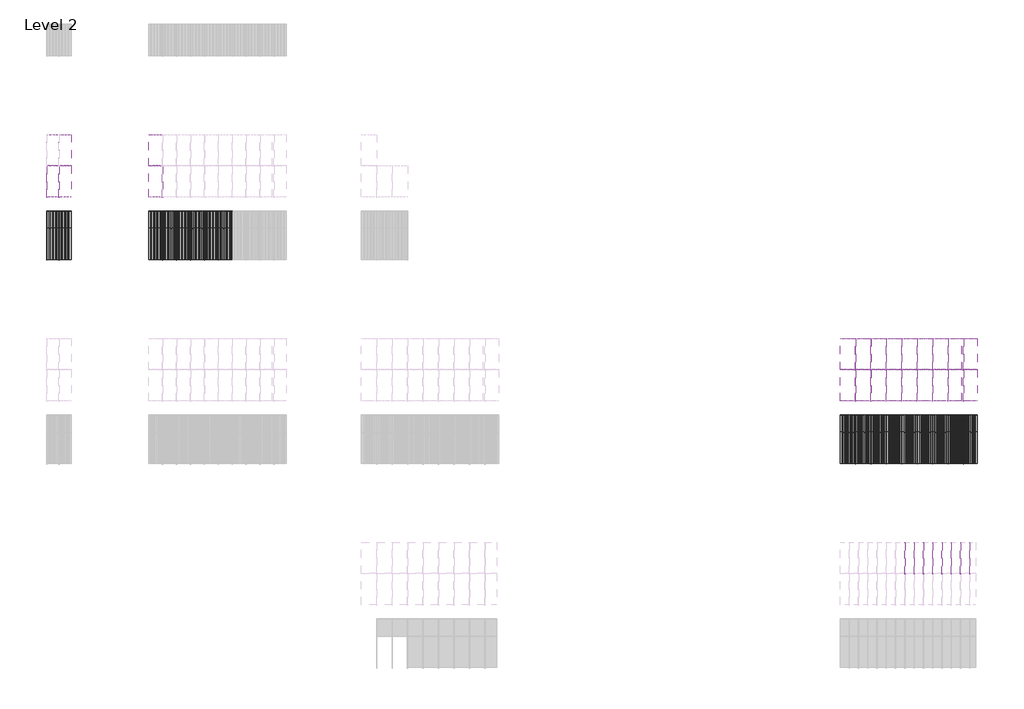
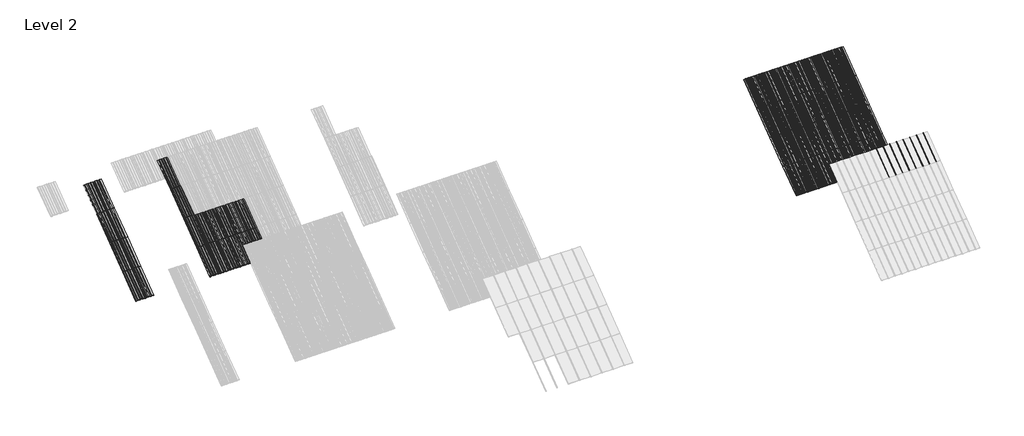
# One storey, part 24 of 113: 58 plates, 53 members.
"""IFC4 building model written with IfcOpenShell, lengths in millimetres."""

import ifcopenshell
import ifcopenshell.guid

model = None  # the IFC model being written
_history = None  # IfcOwnerHistory: only IFC2X3 demands one
_inside = {}  # id of a spatial element -> (the spatial element, [elements in it])
_under = {}  # id of a project, library or spatial element -> (it, [spatial elements below it])
_declared = {}  # id of a project -> (the project, [libraries it declares])
_typed = {}  # id of a type object -> (the type object, [elements of that type])
_made_of = {}  # id of a material, layer set ... -> (it, [elements and type objects made of it])


def new_model(schema):
    """Start an empty IFC model of exactly this schema.

    Asked for "IFC4X3", IfcOpenShell would pick the latest addendum, in which some entities
    have other attributes; the version numbers below select the first issue.
    IFC2X3 requires an IfcOwnerHistory on every rooted entity: one is made here for all.
    """
    global model, _history
    if schema == "IFC4X3":
        model = ifcopenshell.file(schema_version=(4, 3, 0, 0))
    else:
        model = ifcopenshell.file(schema=schema)
    _inside.clear()
    _under.clear()
    _declared.clear()
    _typed.clear()
    _made_of.clear()
    _history = None
    if model.schema == "IFC2X3":
        org = make("IfcOrganization", Name="unknown")
        user = make(
            "IfcPersonAndOrganization",
            ThePerson=make("IfcPerson", FamilyName="unknown"),
            TheOrganization=org,
        )
        app = make(
            "IfcApplication",
            ApplicationDeveloper=org,
            Version="unknown",
            ApplicationFullName="unknown",
            ApplicationIdentifier="unknown",
        )
        _history = make(
            "IfcOwnerHistory",
            OwningUser=user,
            OwningApplication=app,
            ChangeAction="ADDED",
            CreationDate=0,
        )
    return model


def make(cls, **values):
    """One entity of the class cls with the attributes given. An attribute that is None is left unset."""
    return model.create_entity(
        cls, **{name: value for name, value in values.items() if value is not None}
    )


def rooted(cls, **values):
    """An entity with a GlobalId (a new one), such as an element, a storey or a relation."""
    return make(cls, GlobalId=ifcopenshell.guid.new(), OwnerHistory=_history, **values)


def si_unit(unit_type, name, prefix=None):
    """IfcSIUnit, for example si_unit("LENGTHUNIT", "METRE", prefix="MILLI")."""
    return make("IfcSIUnit", UnitType=unit_type, Prefix=prefix, Name=name)


def assignment(units):
    """IfcUnitAssignment: the units of a project."""
    return None if units is None else make("IfcUnitAssignment", Units=units)


def point(xyz):
    """IfcCartesianPoint."""
    return None if xyz is None else make("IfcCartesianPoint", Coordinates=xyz)


def direction(xyz):
    """IfcDirection."""
    return None if xyz is None else make("IfcDirection", DirectionRatios=xyz)


def frame(location, z_axis=None, x_axis=None):
    """IfcAxis2Placement3D, a coordinate frame: its origin and axes. An axis left out is left unset."""
    return make(
        "IfcAxis2Placement3D",
        Location=point(location),
        Axis=direction(z_axis),
        RefDirection=direction(x_axis),
    )


def frame_2d(location, x_axis=None):
    """IfcAxis2Placement2D, a coordinate frame in the plane: its origin and x axis."""
    return make(
        "IfcAxis2Placement2D", Location=point(location), RefDirection=direction(x_axis)
    )


def origin():
    """The frame at (0, 0, 0) with its axes left unset."""
    return frame((0.0, 0.0, 0.0))


def origin_with_axes():
    """The frame at (0, 0, 0) with the z axis (0, 0, 1) and the x axis (1, 0, 0) written out."""
    return frame((0.0, 0.0, 0.0), z_axis=(0.0, 0.0, 1.0), x_axis=(1.0, 0.0, 0.0))


def place(relative_to, where):
    """IfcLocalPlacement: puts the frame where relative to a parent placement (None: the world)."""
    return make(
        "IfcLocalPlacement", PlacementRelTo=relative_to, RelativePlacement=where
    )


def context(
    kind, dimensions, precision=None, world=None, true_north=None, identifier=None
):
    """IfcGeometricRepresentationContext, for example the 3D "Model" context."""
    return make(
        "IfcGeometricRepresentationContext",
        ContextIdentifier=identifier,
        ContextType=kind,
        CoordinateSpaceDimension=dimensions,
        Precision=precision,
        WorldCoordinateSystem=world,
        TrueNorth=true_north,
    )


def project(units=None, contexts=None):
    """IfcProject with its units and contexts."""
    return rooted(
        "IfcProject",
        Name="project",
        RepresentationContexts=contexts,
        UnitsInContext=assignment(units),
    )


def spatial(cls, under=None, at=None, **own):
    """A site, building, storey or space (cls), placed at a placement, below another one or the project."""
    s = rooted(cls, ObjectPlacement=at, **own)
    if under is not None:
        _under.setdefault(under.id(), (under, []))[1].append(s)
    return s


def polyline(points):
    """IfcPolyline through the points."""
    return make("IfcPolyline", Points=[point(p) for p in points])


def circle_curve(where, radius):
    """IfcCircle in the frame where."""
    return make("IfcCircle", Position=where, Radius=radius)


def trimmed(basis, trim1, trim2, sense, master):
    """IfcTrimmedCurve: the piece of a basis curve between two trims."""
    return make(
        "IfcTrimmedCurve",
        BasisCurve=basis,
        Trim1=trim1,
        Trim2=trim2,
        SenseAgreement=sense,
        MasterRepresentation=master,
    )


def segment(curve, same_sense, transition):
    """IfcCompositeCurveSegment."""
    return make(
        "IfcCompositeCurveSegment",
        Transition=transition,
        SameSense=same_sense,
        ParentCurve=curve,
    )


def composite_curve(segments, self_intersect=None):
    """IfcCompositeCurve: segments joined end to end."""
    return make("IfcCompositeCurve", Segments=segments, SelfIntersect=self_intersect)


def outline(outer, holes=None, kind="AREA"):
    """IfcArbitraryClosedProfileDef: a profile drawn as a closed curve; with holes, ...WithVoids."""
    if holes is None:
        return make("IfcArbitraryClosedProfileDef", ProfileType=kind, OuterCurve=outer)
    return make(
        "IfcArbitraryProfileDefWithVoids",
        ProfileType=kind,
        OuterCurve=outer,
        InnerCurves=holes,
    )


def extrude(swept, where, along, depth):
    """IfcExtrudedAreaSolid: the profile swept, set in the frame where, extruded along a direction by depth."""
    return make(
        "IfcExtrudedAreaSolid",
        SweptArea=swept,
        Position=where,
        ExtrudedDirection=direction(along),
        Depth=depth,
    )


def shape(context_of_items, identifier, shape_type, items):
    """IfcShapeRepresentation: the items that make up one representation, for example the "Body"."""
    return make(
        "IfcShapeRepresentation",
        ContextOfItems=context_of_items,
        RepresentationIdentifier=identifier,
        RepresentationType=shape_type,
        Items=items,
    )


def source(mapping_origin, context_of_items, identifier, shape_type, items):
    """IfcRepresentationMap: a shape defined once, which mapped items show again and again."""
    return make(
        "IfcRepresentationMap",
        MappingOrigin=mapping_origin,
        MappedRepresentation=shape(context_of_items, identifier, shape_type, items),
    )


def transform(
    local_origin,
    x_axis=None,
    y_axis=None,
    z_axis=None,
    scale=None,
    scale2=None,
    scale3=None,
    uniform=True,
):
    """IfcCartesianTransformationOperator3D, or its non-uniform kind. x_axis, y_axis, z_axis: its Axis1, 2, 3."""
    if uniform:
        return make(
            "IfcCartesianTransformationOperator3D",
            Axis1=direction(x_axis),
            Axis2=direction(y_axis),
            LocalOrigin=point(local_origin),
            Scale=scale,
            Axis3=direction(z_axis),
        )
    return make(
        "IfcCartesianTransformationOperator3DnonUniform",
        Axis1=direction(x_axis),
        Axis2=direction(y_axis),
        LocalOrigin=point(local_origin),
        Scale=scale,
        Axis3=direction(z_axis),
        Scale2=scale2,
        Scale3=scale3,
    )


def mapped(mapping_source, mapping_target):
    """IfcMappedItem: shows the shape of a source again, moved by a transform."""
    return make(
        "IfcMappedItem", MappingSource=mapping_source, MappingTarget=mapping_target
    )


def made_of(thing, what):
    """Note that an element or type object is made of a material, layer set ...; save() writes the relation."""
    if what is not None:
        _made_of.setdefault(what.id(), (what, []))[1].append(thing)
    return thing


def element(
    cls,
    number,
    at=None,
    inside=None,
    cuts=None,
    type_object=None,
    material=None,
    context=None,
    identifier="Body",
    shape_type=None,
    held_by="IfcProductDefinitionShape",
    body=None,
    shapes=None,
    **own,
):
    """One element of the class cls, such as IfcWall. Its Tag is "e" and its number.

    at: its placement. inside: the storey or other place that contains it. cuts: it is an
    opening in that element (IfcRelVoidsElement). A single representation is given by context,
    identifier, shape_type and body (its items); several are given by shapes. held_by: the class
    of the entity that holds the representations. save() writes the other relations.
    """
    e = rooted(cls, Tag="e%d" % number, ObjectPlacement=at, **own)
    if body is not None:
        shapes = [shape(context, identifier, shape_type, body)]
    if shapes is not None:
        e.Representation = make(held_by, Representations=shapes)
    if inside is not None:
        _inside.setdefault(inside.id(), (inside, []))[1].append(e)
    if cuts is not None:
        rooted(
            "IfcRelVoidsElement", RelatingBuildingElement=cuts, RelatedOpeningElement=e
        )
    if type_object is not None:
        _typed.setdefault(type_object.id(), (type_object, []))[1].append(e)
    return made_of(e, material)


def aggregate(whole, parts):
    """IfcRelAggregates: a whole, such as a stair, and the parts it consists of."""
    return rooted("IfcRelAggregates", RelatingObject=whole, RelatedObjects=parts)


def save(model, path):
    """Write the relations noted so far, then the file.

    IfcRelAggregates (storeys below a building ...), IfcRelContainedInSpatialStructure (elements
    in a storey), IfcRelDefinesByType, IfcRelAssociatesMaterial and IfcRelDeclares: one each for
    every whole, place, type object, material and project.
    """
    for whole, parts in _under.values():
        aggregate(whole, parts)
    for where, things in _inside.values():
        rooted(
            "IfcRelContainedInSpatialStructure",
            RelatedElements=things,
            RelatingStructure=where,
        )
    for kind, things in _typed.values():
        rooted("IfcRelDefinesByType", RelatedObjects=things, RelatingType=kind)
    for what, things in _made_of.values():
        rooted("IfcRelAssociatesMaterial", RelatedObjects=things, RelatingMaterial=what)
    for by, libraries in _declared.values():
        rooted("IfcRelDeclares", RelatingContext=by, RelatedDefinitions=libraries)
    model.write(path)


def rectangular_mullion_707b4951(model_context):
    return source(origin(), model_context, "Body", "SweptSolid", [
        extrude(outline(composite_curve([segment(polyline([(-1.651, -33.918525), (-1.651, 0.396875), (1.778, 0.396875), (1.778, -36.458525)]), True, "CONTINUOUS"), segment(trimmed(circle_curve(frame_2d((-0.762, -36.458525)), 2.54), [point((1.778, -36.458525))], [point((-0.762, -38.998525))], False, "CARTESIAN"), True, "CONTINUOUS"), segment(polyline([(-0.762, -38.998525), (-5.207, -38.998525)]), True, "CONTINUOUS"), segment(trimmed(circle_curve(frame_2d((-5.207, -36.458525)), 2.54), [point((-5.207, -38.998525))], [point((-7.747, -36.458525))], False, "CARTESIAN"), True, "CONTINUOUS"), segment(polyline([(-7.747, -36.458525), (-7.747, -26.425525)]), True, "CONTINUOUS"), segment(trimmed(circle_curve(frame_2d((-5.207, -26.425525)), 2.54), [point((-7.747, -26.425525))], [point((-2.667, -26.425525))], False, "CARTESIAN"), True, "CONTINUOUS"), segment(polyline([(-2.667, -26.425525), (-2.667, -33.918525), (-1.651, -33.918525)]), True, "CONTINUOUS")], self_intersect=False)), frame((0.0, 0.0, -1285.875), z_axis=(0.0, 0.0, 1.0), x_axis=(1.0, 0.0, 0.0)), (0.0, 0.0, 1.0), 1285.875),
    ])


def rectangular_mullion_fdfbbcc3(model_context):
    return source(origin(), model_context, "Body", "SweptSolid", [
        extrude(outline(composite_curve([segment(polyline([(-1.651, -33.7200875), (-1.651, 0.5953125), (1.778, 0.5953125), (1.778, -36.2600875)]), True, "CONTINUOUS"), segment(trimmed(circle_curve(frame_2d((-0.762, -36.2600875)), 2.54), [point((1.778, -36.2600875))], [point((-0.762, -38.8000875))], False, "CARTESIAN"), True, "CONTINUOUS"), segment(polyline([(-0.762, -38.8000875), (-5.207, -38.8000875)]), True, "CONTINUOUS"), segment(trimmed(circle_curve(frame_2d((-5.207, -36.2600875)), 2.54), [point((-5.207, -38.8000875))], [point((-7.747, -36.2600875))], False, "CARTESIAN"), True, "CONTINUOUS"), segment(polyline([(-7.747, -36.2600875), (-7.747, -26.2270875)]), True, "CONTINUOUS"), segment(trimmed(circle_curve(frame_2d((-5.207, -26.2270875)), 2.54), [point((-7.747, -26.2270875))], [point((-2.667, -26.2270875))], False, "CARTESIAN"), True, "CONTINUOUS"), segment(polyline([(-2.667, -26.2270875), (-2.667, -33.7200875), (-1.651, -33.7200875)]), True, "CONTINUOUS")], self_intersect=False)), frame((0.0, 0.0, -1285.875), z_axis=(0.0, 0.0, 1.0), x_axis=(1.0, 0.0, 0.0)), (0.0, 0.0, 1.0), 1285.875),
    ])


def plate_0_04_aluminium_705ef83d(model_context):
    return source(origin(), model_context, "Body", "SweptSolid", [
        extrude(outline(polyline([(-123.9800294, 1.016), (-120.4316494, -2.53238), (-90.8914494, -2.53238), (-87.3430694, 0.8128), (-18.31848, 0.8128), (-14.7701, -2.73558), (14.7701, -2.73558), (18.31848, 0.8128), (85.75548, 0.8128), (89.30386, -2.73558), (118.84406, -2.73558), (122.39244, 0.8128), (203.2, 0.8128), (203.2, 0.0), (122.456147, 0.0), (118.907767, -3.54838), (89.240153, -3.54838), (85.691773, 0.0), (18.382187, 0.0), (14.833807, -3.54838), (-14.833807, -3.54838), (-18.382187, 0.0), (-87.2793624, 0.0), (-90.8277424, -3.54838), (-120.4953564, -3.54838), (-124.0437364, 0.0), (-203.2, 0.0), (-203.2, 1.016), (-123.9800294, 1.016)])), origin_with_axes(), (0.0, 0.0, 1.0), 1285.875),
    ])


def plate_0_04_aluminium_7b209127(model_context):
    return source(origin(), model_context, "Body", "SweptSolid", [
        extrude(outline(polyline([(33.654793, 0.0), (-33.654793, 0.0), (-37.203173, -3.54838), (-66.870787, -3.54838), (-70.419167, 0.0), (-137.728753, 0.0), (-141.277133, -3.54838), (-170.944747, -3.54838), (-174.493127, 0.0), (-228.6, 0.0), (-228.6, 1.016), (-174.42942, 1.016), (-170.88104, -2.53238), (-141.34084, -2.53238), (-137.79246, 1.016), (-70.35546, 1.016), (-66.80708, -2.53238), (-37.26688, -2.53238), (-33.7185, 1.016), (33.7185, 1.016), (37.26688, -2.53238), (66.80708, -2.53238), (70.35546, 1.016), (137.79246, 1.016), (141.34084, -2.53238), (170.88104, -2.53238), (174.42942, 1.016), (228.6, 1.016), (228.6, 0.0), (174.493127, 0.0), (170.944747, -3.54838), (141.277133, -3.54838), (137.728753, 0.0), (70.419167, 0.0), (66.870787, -3.54838), (37.203173, -3.54838), (33.654793, 0.0)])), origin_with_axes(), (0.0, 0.0, 1.0), 1285.875),
    ])


def plate_0_032_aluminium_e5f8d374(model_context):
    return source(origin(), model_context, "Body", "SweptSolid", [
        extrude(outline(polyline([(14.706393, 0.0), (-14.706393, 0.0), (-37.203173, -3.54838), (-66.870787, -3.54838), (-89.367567, 0.0), (-118.780353, 0.0), (-141.277133, -3.54838), (-170.944747, -3.54838), (-193.441527, 0.0), (-254.0, 0.0), (-254.0, 0.8128), (-193.37782, 0.8128), (-170.88104, -2.73558), (-141.34084, -2.73558), (-118.84406, 0.8128), (-89.30386, 0.8128), (-66.80708, -2.73558), (-37.26688, -2.73558), (-14.7701, 0.8128), (14.7701, 0.8128), (37.26688, -2.73558), (66.80708, -2.73558), (89.30386, 0.8128), (118.84406, 0.8128), (141.34084, -2.73558), (170.88104, -2.73558), (193.37782, 0.8128), (254.0, 0.8128), (254.0, 0.0), (193.441527, 0.0), (170.944747, -3.54838), (141.277133, -3.54838), (118.780353, 0.0), (89.367567, 0.0), (66.870787, -3.54838), (37.203173, -3.54838), (14.706393, 0.0)])), origin_with_axes(), (0.0, 0.0, 1.0), 1285.875),
    ])


model = new_model("IFC4")

# Units and contexts
model_context = context("Model", 3, world=origin())
ifc_project = project(units=[si_unit("LENGTHUNIT", "METRE", prefix="MILLI")], contexts=[model_context])

# Site, building, storey
site = spatial("IfcSite", under=ifc_project)
building = spatial("IfcBuilding", under=site)
storey = spatial("IfcBuildingStorey", under=building, Name="Level 2", Elevation=3048.0)

# Members
placement = place(None, origin())
rectangular_mullion_shape = rectangular_mullion_707b4951(model_context)
element("IfcMember", 1, ObjectType="Rectangular Mullion", at=placement, inside=storey, context=model_context, shape_type="MappedRepresentation", body=[
    mapped(rectangular_mullion_shape, transform((58688.3138422, 45667.4971239, 6134.1), x_axis=(1.0, 0.0, 0.0), y_axis=(0.0, 0.5999999999999946, -0.800000000000004), z_axis=(0.0, 0.800000000000004, 0.5999999999999946))),
])
element("IfcMember", 2, ObjectType="Rectangular Mullion", at=placement, inside=storey, context=model_context, shape_type="MappedRepresentation", body=[
    mapped(rectangular_mullion_shape, transform((59196.3138422, 45667.4971239, 6134.1), x_axis=(1.0, 0.0, 0.0), y_axis=(0.0, 0.5999999999999946, -0.800000000000004), z_axis=(0.0, 0.800000000000004, 0.5999999999999946))),
])
element("IfcMember", 3, ObjectType="Rectangular Mullion", at=placement, inside=storey, context=model_context, shape_type="MappedRepresentation", body=[
    mapped(rectangular_mullion_shape, transform((59704.3138422, 45667.4971239, 6134.1), x_axis=(1.0, 0.0, 0.0), y_axis=(0.0, 0.5999999999999946, -0.800000000000004), z_axis=(0.0, 0.800000000000004, 0.5999999999999946))),
])
element("IfcMember", 4, ObjectType="Rectangular Mullion", at=placement, inside=storey, context=model_context, shape_type="MappedRepresentation", body=[
    mapped(rectangular_mullion_shape, transform((60212.3138422, 45667.4971239, 6134.1), x_axis=(1.0, 0.0, 0.0), y_axis=(0.0, 0.5999999999999946, -0.800000000000004), z_axis=(0.0, 0.800000000000004, 0.5999999999999946))),
])
element("IfcMember", 5, ObjectType="Rectangular Mullion", at=placement, inside=storey, context=model_context, shape_type="MappedRepresentation", body=[
    mapped(rectangular_mullion_shape, transform((60720.3138422, 45667.4971239, 6134.1), x_axis=(1.0, 0.0, 0.0), y_axis=(0.0, 0.5999999999999946, -0.800000000000004), z_axis=(0.0, 0.800000000000004, 0.5999999999999946))),
])
element("IfcMember", 6, ObjectType="Rectangular Mullion", at=placement, inside=storey, context=model_context, shape_type="MappedRepresentation", body=[
    mapped(rectangular_mullion_shape, transform((61228.3138422, 45667.4971239, 6134.1), x_axis=(1.0, 0.0, 0.0), y_axis=(0.0, 0.5999999999999946, -0.800000000000004), z_axis=(0.0, 0.800000000000004, 0.5999999999999946))),
])
element("IfcMember", 7, ObjectType="Rectangular Mullion", at=placement, inside=storey, context=model_context, shape_type="MappedRepresentation", body=[
    mapped(rectangular_mullion_shape, transform((61736.3138422, 45667.4971239, 6134.1), x_axis=(1.0, 0.0, 0.0), y_axis=(0.0, 0.5999999999999946, -0.800000000000004), z_axis=(0.0, 0.800000000000004, 0.5999999999999946))),
])
element("IfcMember", 8, ObjectType="Rectangular Mullion", at=placement, inside=storey, context=model_context, shape_type="MappedRepresentation", body=[
    mapped(rectangular_mullion_shape, transform((62244.3138422, 45667.4971239, 6134.1), x_axis=(1.0, 0.0, 0.0), y_axis=(0.0, 0.5999999999999946, -0.800000000000004), z_axis=(0.0, 0.800000000000004, 0.5999999999999946))),
])
element("IfcMember", 9, ObjectType="Rectangular Mullion", at=placement, inside=storey, context=model_context, shape_type="MappedRepresentation", body=[
    mapped(rectangular_mullion_shape, transform((58688.3138422, 42581.3971239, 3819.525), x_axis=(1.0, 0.0, 0.0), y_axis=(0.0, 0.5999999999999939, -0.8000000000000047), z_axis=(0.0, 0.8000000000000047, 0.5999999999999939))),
])
element("IfcMember", 10, ObjectType="Rectangular Mullion", at=placement, inside=storey, context=model_context, shape_type="MappedRepresentation", body=[
    mapped(rectangular_mullion_shape, transform((59196.3138422, 42581.3971239, 3819.525), x_axis=(1.0, 0.0, 0.0), y_axis=(0.0, 0.5999999999999939, -0.8000000000000047), z_axis=(0.0, 0.8000000000000047, 0.5999999999999939))),
])
element("IfcMember", 11, ObjectType="Rectangular Mullion", at=placement, inside=storey, context=model_context, shape_type="MappedRepresentation", body=[
    mapped(rectangular_mullion_shape, transform((59704.3138422, 42581.3971239, 3819.525), x_axis=(1.0, 0.0, 0.0), y_axis=(0.0, 0.5999999999999939, -0.8000000000000047), z_axis=(0.0, 0.8000000000000047, 0.5999999999999939))),
])
element("IfcMember", 12, ObjectType="Rectangular Mullion", at=placement, inside=storey, context=model_context, shape_type="MappedRepresentation", body=[
    mapped(rectangular_mullion_shape, transform((60212.3138422, 42581.3971239, 3819.525), x_axis=(1.0, 0.0, 0.0), y_axis=(0.0, 0.5999999999999939, -0.8000000000000047), z_axis=(0.0, 0.8000000000000047, 0.5999999999999939))),
])
element("IfcMember", 13, ObjectType="Rectangular Mullion", at=placement, inside=storey, context=model_context, shape_type="MappedRepresentation", body=[
    mapped(rectangular_mullion_shape, transform((60720.3138422, 42581.3971239, 3819.525), x_axis=(1.0, 0.0, 0.0), y_axis=(0.0, 0.5999999999999939, -0.8000000000000047), z_axis=(0.0, 0.8000000000000047, 0.5999999999999939))),
])
element("IfcMember", 14, ObjectType="Rectangular Mullion", at=placement, inside=storey, context=model_context, shape_type="MappedRepresentation", body=[
    mapped(rectangular_mullion_shape, transform((61228.3138422, 42581.3971239, 3819.525), x_axis=(1.0, 0.0, 0.0), y_axis=(0.0, 0.5999999999999939, -0.8000000000000047), z_axis=(0.0, 0.8000000000000047, 0.5999999999999939))),
])
element("IfcMember", 15, ObjectType="Rectangular Mullion", at=placement, inside=storey, context=model_context, shape_type="MappedRepresentation", body=[
    mapped(rectangular_mullion_shape, transform((61736.3138422, 42581.3971239, 3819.525), x_axis=(1.0, 0.0, 0.0), y_axis=(0.0, 0.5999999999999939, -0.8000000000000047), z_axis=(0.0, 0.8000000000000047, 0.5999999999999939))),
])
element("IfcMember", 16, ObjectType="Rectangular Mullion", at=placement, inside=storey, context=model_context, shape_type="MappedRepresentation", body=[
    mapped(rectangular_mullion_shape, transform((62244.3138422, 42581.3971239, 3819.525), x_axis=(1.0, 0.0, 0.0), y_axis=(0.0, 0.5999999999999939, -0.8000000000000047), z_axis=(0.0, 0.8000000000000047, 0.5999999999999939))),
])
element("IfcMember", 17, ObjectType="Rectangular Mullion", at=placement, inside=storey, context=model_context, shape_type="MappedRepresentation", body=[
    mapped(rectangular_mullion_shape, transform((58688.3138422, 43610.0971239, 4591.05), x_axis=(1.0, 0.0, 0.0), y_axis=(0.0, 0.5999999999999952, -0.8000000000000037), z_axis=(0.0, 0.8000000000000037, 0.5999999999999952))),
])
element("IfcMember", 18, ObjectType="Rectangular Mullion", at=placement, inside=storey, context=model_context, shape_type="MappedRepresentation", body=[
    mapped(rectangular_mullion_shape, transform((59196.3138422, 43610.0971239, 4591.05), x_axis=(1.0, 0.0, 0.0), y_axis=(0.0, 0.5999999999999952, -0.8000000000000037), z_axis=(0.0, 0.8000000000000037, 0.5999999999999952))),
])
element("IfcMember", 19, ObjectType="Rectangular Mullion", at=placement, inside=storey, context=model_context, shape_type="MappedRepresentation", body=[
    mapped(rectangular_mullion_shape, transform((58688.3138422, 44638.7971239, 5362.575), x_axis=(1.0, 0.0, 0.0), y_axis=(0.0, 0.5999999999999941, -0.8000000000000045), z_axis=(0.0, 0.8000000000000044, 0.599999999999994))),
])
element("IfcMember", 20, ObjectType="Rectangular Mullion", at=placement, inside=storey, context=model_context, shape_type="MappedRepresentation", body=[
    mapped(rectangular_mullion_shape, transform((59196.3138422, 44638.7971239, 5362.575), x_axis=(1.0, 0.0, 0.0), y_axis=(0.0, 0.5999999999999941, -0.8000000000000045), z_axis=(0.0, 0.8000000000000044, 0.599999999999994))),
])
element("IfcMember", 21, ObjectType="Rectangular Mullion", at=placement, inside=storey, context=model_context, shape_type="MappedRepresentation", body=[
    mapped(rectangular_mullion_shape, transform((59704.3138422, 43610.0971239, 4591.05), x_axis=(1.0, 0.0, 0.0), y_axis=(0.0, 0.5999999999999952, -0.8000000000000037), z_axis=(0.0, 0.8000000000000037, 0.5999999999999952))),
])
element("IfcMember", 22, ObjectType="Rectangular Mullion", at=placement, inside=storey, context=model_context, shape_type="MappedRepresentation", body=[
    mapped(rectangular_mullion_shape, transform((60212.3138422, 43610.0971239, 4591.05), x_axis=(1.0, 0.0, 0.0), y_axis=(0.0, 0.5999999999999952, -0.8000000000000037), z_axis=(0.0, 0.8000000000000037, 0.5999999999999952))),
])
element("IfcMember", 23, ObjectType="Rectangular Mullion", at=placement, inside=storey, context=model_context, shape_type="MappedRepresentation", body=[
    mapped(rectangular_mullion_shape, transform((60720.3138422, 43610.0971239, 4591.05), x_axis=(1.0, 0.0, 0.0), y_axis=(0.0, 0.5999999999999952, -0.8000000000000037), z_axis=(0.0, 0.8000000000000037, 0.5999999999999952))),
])
element("IfcMember", 24, ObjectType="Rectangular Mullion", at=placement, inside=storey, context=model_context, shape_type="MappedRepresentation", body=[
    mapped(rectangular_mullion_shape, transform((61228.3138422, 43610.0971239, 4591.05), x_axis=(1.0, 0.0, 0.0), y_axis=(0.0, 0.5999999999999952, -0.8000000000000037), z_axis=(0.0, 0.8000000000000037, 0.5999999999999952))),
])
element("IfcMember", 25, ObjectType="Rectangular Mullion", at=placement, inside=storey, context=model_context, shape_type="MappedRepresentation", body=[
    mapped(rectangular_mullion_shape, transform((61736.3138422, 43610.0971239, 4591.05), x_axis=(1.0, 0.0, 0.0), y_axis=(0.0, 0.5999999999999952, -0.8000000000000037), z_axis=(0.0, 0.8000000000000037, 0.5999999999999952))),
])
element("IfcMember", 26, ObjectType="Rectangular Mullion", at=placement, inside=storey, context=model_context, shape_type="MappedRepresentation", body=[
    mapped(rectangular_mullion_shape, transform((62244.3138422, 43610.0971239, 4591.05), x_axis=(1.0, 0.0, 0.0), y_axis=(0.0, 0.5999999999999952, -0.8000000000000037), z_axis=(0.0, 0.8000000000000037, 0.5999999999999952))),
])
element("IfcMember", 27, ObjectType="Rectangular Mullion", at=placement, inside=storey, context=model_context, shape_type="MappedRepresentation", body=[
    mapped(rectangular_mullion_shape, transform((59704.3138422, 44638.7971239, 5362.575), x_axis=(1.0, 0.0, 0.0), y_axis=(0.0, 0.5999999999999941, -0.8000000000000045), z_axis=(0.0, 0.8000000000000044, 0.599999999999994))),
])
element("IfcMember", 28, ObjectType="Rectangular Mullion", at=placement, inside=storey, context=model_context, shape_type="MappedRepresentation", body=[
    mapped(rectangular_mullion_shape, transform((60212.3138422, 44638.7971239, 5362.575), x_axis=(1.0, 0.0, 0.0), y_axis=(0.0, 0.5999999999999941, -0.8000000000000045), z_axis=(0.0, 0.8000000000000044, 0.599999999999994))),
])
element("IfcMember", 29, ObjectType="Rectangular Mullion", at=placement, inside=storey, context=model_context, shape_type="MappedRepresentation", body=[
    mapped(rectangular_mullion_shape, transform((60720.3138422, 44638.7971239, 5362.575), x_axis=(1.0, 0.0, 0.0), y_axis=(0.0, 0.5999999999999941, -0.8000000000000045), z_axis=(0.0, 0.8000000000000044, 0.599999999999994))),
])
element("IfcMember", 30, ObjectType="Rectangular Mullion", at=placement, inside=storey, context=model_context, shape_type="MappedRepresentation", body=[
    mapped(rectangular_mullion_shape, transform((61228.3138422, 44638.7971239, 5362.575), x_axis=(1.0, 0.0, 0.0), y_axis=(0.0, 0.5999999999999941, -0.8000000000000045), z_axis=(0.0, 0.8000000000000044, 0.599999999999994))),
])
element("IfcMember", 31, ObjectType="Rectangular Mullion", at=placement, inside=storey, context=model_context, shape_type="MappedRepresentation", body=[
    mapped(rectangular_mullion_shape, transform((61736.3138422, 44638.7971239, 5362.575), x_axis=(1.0, 0.0, 0.0), y_axis=(0.0, 0.5999999999999941, -0.8000000000000045), z_axis=(0.0, 0.8000000000000044, 0.599999999999994))),
])
element("IfcMember", 32, ObjectType="Rectangular Mullion", at=placement, inside=storey, context=model_context, shape_type="MappedRepresentation", body=[
    mapped(rectangular_mullion_shape, transform((62244.3138422, 44638.7971239, 5362.575), x_axis=(1.0, 0.0, 0.0), y_axis=(0.0, 0.5999999999999941, -0.8000000000000045), z_axis=(0.0, 0.8000000000000044, 0.599999999999994))),
])
rectangular_mullion_2_shape = rectangular_mullion_fdfbbcc3(model_context)
element("IfcMember", 33, ObjectType="Rectangular Mullion", at=placement, inside=storey, context=model_context, shape_type="MappedRepresentation", body=[
    mapped(rectangular_mullion_2_shape, transform((32109.7538419, 49285.2111864, 3819.525), x_axis=(1.0, 0.0, 0.0), y_axis=(0.0, 0.5999999999999939, -0.8000000000000047), z_axis=(0.0, 0.8000000000000047, 0.5999999999999939))),
])
element("IfcMember", 34, ObjectType="Rectangular Mullion", at=placement, inside=storey, context=model_context, shape_type="MappedRepresentation", body=[
    mapped(rectangular_mullion_2_shape, transform((35919.7538419, 49285.2111864, 3819.525), x_axis=(1.0, 0.0, 0.0), y_axis=(0.0, 0.5999999999999939, -0.8000000000000047), z_axis=(0.0, 0.8000000000000047, 0.5999999999999939))),
])
element("IfcMember", 35, ObjectType="Rectangular Mullion", at=placement, inside=storey, context=model_context, shape_type="MappedRepresentation", body=[
    mapped(rectangular_mullion_2_shape, transform((36376.9538419, 49285.2111864, 3819.525), x_axis=(1.0, 0.0, 0.0), y_axis=(0.0, 0.5999999999999939, -0.8000000000000047), z_axis=(0.0, 0.8000000000000047, 0.5999999999999939))),
])
element("IfcMember", 36, ObjectType="Rectangular Mullion", at=placement, inside=storey, context=model_context, shape_type="MappedRepresentation", body=[
    mapped(rectangular_mullion_2_shape, transform((36834.1538419, 49285.2111864, 3819.525), x_axis=(1.0, 0.0, 0.0), y_axis=(0.0, 0.5999999999999939, -0.8000000000000047), z_axis=(0.0, 0.8000000000000047, 0.5999999999999939))),
])
element("IfcMember", 37, ObjectType="Rectangular Mullion", at=placement, inside=storey, context=model_context, shape_type="MappedRepresentation", body=[
    mapped(rectangular_mullion_2_shape, transform((37291.3538419, 49285.2111864, 3819.525), x_axis=(1.0, 0.0, 0.0), y_axis=(0.0, 0.5999999999999939, -0.8000000000000047), z_axis=(0.0, 0.8000000000000047, 0.5999999999999939))),
])
element("IfcMember", 38, ObjectType="Rectangular Mullion", at=placement, inside=storey, context=model_context, shape_type="MappedRepresentation", body=[
    mapped(rectangular_mullion_2_shape, transform((37748.5538419, 49285.2111864, 3819.525), x_axis=(1.0, 0.0, 0.0), y_axis=(0.0, 0.5999999999999939, -0.8000000000000047), z_axis=(0.0, 0.8000000000000047, 0.5999999999999939))),
])
element("IfcMember", 39, ObjectType="Rectangular Mullion", at=placement, inside=storey, context=model_context, shape_type="MappedRepresentation", body=[
    mapped(rectangular_mullion_2_shape, transform((32516.1538419, 49285.2111864, 3819.525), x_axis=(1.0, 0.0, 0.0), y_axis=(0.0, 0.5999999999999939, -0.8000000000000047), z_axis=(0.0, 0.8000000000000047, 0.5999999999999939))),
])
element("IfcMember", 40, ObjectType="Rectangular Mullion", at=placement, inside=storey, context=model_context, shape_type="MappedRepresentation", body=[
    mapped(rectangular_mullion_2_shape, transform((32109.7538419, 50313.9111864, 4591.05), x_axis=(1.0, 0.0, 0.0), y_axis=(0.0, 0.5999999999999949, -0.8000000000000038), z_axis=(0.0, 0.8000000000000038, 0.5999999999999949))),
])
element("IfcMember", 41, ObjectType="Rectangular Mullion", at=placement, inside=storey, context=model_context, shape_type="MappedRepresentation", body=[
    mapped(rectangular_mullion_2_shape, transform((32109.7538419, 51342.6111864, 5362.575), x_axis=(1.0, 0.0, 0.0), y_axis=(0.0, 0.5999999999999939, -0.8000000000000047), z_axis=(0.0, 0.8000000000000047, 0.5999999999999939))),
])
element("IfcMember", 42, ObjectType="Rectangular Mullion", at=placement, inside=storey, context=model_context, shape_type="MappedRepresentation", body=[
    mapped(rectangular_mullion_2_shape, transform((35919.7538419, 50313.9111864, 4591.05), x_axis=(1.0, 0.0, 0.0), y_axis=(0.0, 0.5999999999999952, -0.8000000000000037), z_axis=(0.0, 0.8000000000000037, 0.5999999999999952))),
])
element("IfcMember", 43, ObjectType="Rectangular Mullion", at=placement, inside=storey, context=model_context, shape_type="MappedRepresentation", body=[
    mapped(rectangular_mullion_2_shape, transform((35919.7538419, 51342.6111864, 5362.575), x_axis=(1.0, 0.0, 0.0), y_axis=(0.0, 0.5999999999999941, -0.8000000000000045), z_axis=(0.0, 0.8000000000000044, 0.599999999999994))),
])
element("IfcMember", 44, ObjectType="Rectangular Mullion", at=placement, inside=storey, context=model_context, shape_type="MappedRepresentation", body=[
    mapped(rectangular_mullion_2_shape, transform((32516.1538419, 50313.9111864, 4591.05), x_axis=(1.0, 0.0, 0.0), y_axis=(0.0, 0.5999999999999949, -0.8000000000000038), z_axis=(0.0, 0.8000000000000038, 0.5999999999999949))),
])
element("IfcMember", 45, ObjectType="Rectangular Mullion", at=placement, inside=storey, context=model_context, shape_type="MappedRepresentation", body=[
    mapped(rectangular_mullion_2_shape, transform((32516.1538419, 51342.6111864, 5362.575), x_axis=(1.0, 0.0, 0.0), y_axis=(0.0, 0.5999999999999939, -0.8000000000000047), z_axis=(0.0, 0.8000000000000047, 0.5999999999999939))),
])
element("IfcMember", 46, ObjectType="Rectangular Mullion", at=placement, inside=storey, context=model_context, shape_type="MappedRepresentation", body=[
    mapped(rectangular_mullion_shape, transform((60313.9138422, 38961.8971239, 6134.1), x_axis=(1.0, 0.0, 0.0), y_axis=(0.0, 0.6000000000000011, -0.7999999999999992), z_axis=(0.0, 0.7999999999999992, 0.6000000000000011))),
])
element("IfcMember", 47, ObjectType="Rectangular Mullion", at=placement, inside=storey, context=model_context, shape_type="MappedRepresentation", body=[
    mapped(rectangular_mullion_shape, transform((60618.7138422, 38961.8971239, 6134.1), x_axis=(1.0, 0.0, 0.0), y_axis=(0.0, 0.6000000000000011, -0.7999999999999992), z_axis=(0.0, 0.7999999999999992, 0.6000000000000011))),
])
element("IfcMember", 48, ObjectType="Rectangular Mullion", at=placement, inside=storey, context=model_context, shape_type="MappedRepresentation", body=[
    mapped(rectangular_mullion_shape, transform((60923.5138422, 38961.8971239, 6134.1), x_axis=(1.0, 0.0, 0.0), y_axis=(0.0, 0.6000000000000011, -0.7999999999999992), z_axis=(0.0, 0.7999999999999992, 0.6000000000000011))),
])
element("IfcMember", 49, ObjectType="Rectangular Mullion", at=placement, inside=storey, context=model_context, shape_type="MappedRepresentation", body=[
    mapped(rectangular_mullion_shape, transform((61228.3138422, 38961.8971239, 6134.1), x_axis=(1.0, 0.0, 0.0), y_axis=(0.0, 0.6000000000000011, -0.7999999999999992), z_axis=(0.0, 0.7999999999999992, 0.6000000000000011))),
])
element("IfcMember", 50, ObjectType="Rectangular Mullion", at=placement, inside=storey, context=model_context, shape_type="MappedRepresentation", body=[
    mapped(rectangular_mullion_shape, transform((61533.1138422, 38961.8971239, 6134.1), x_axis=(1.0, 0.0, 0.0), y_axis=(0.0, 0.6000000000000011, -0.7999999999999992), z_axis=(0.0, 0.7999999999999992, 0.6000000000000011))),
])
element("IfcMember", 51, ObjectType="Rectangular Mullion", at=placement, inside=storey, context=model_context, shape_type="MappedRepresentation", body=[
    mapped(rectangular_mullion_shape, transform((61837.9138422, 38961.8971239, 6134.1), x_axis=(1.0, 0.0, 0.0), y_axis=(0.0, 0.6000000000000011, -0.7999999999999992), z_axis=(0.0, 0.7999999999999992, 0.6000000000000011))),
])
element("IfcMember", 52, ObjectType="Rectangular Mullion", at=placement, inside=storey, context=model_context, shape_type="MappedRepresentation", body=[
    mapped(rectangular_mullion_shape, transform((62142.7138422, 38961.8971239, 6134.1), x_axis=(1.0, 0.0, 0.0), y_axis=(0.0, 0.6000000000000011, -0.7999999999999992), z_axis=(0.0, 0.7999999999999992, 0.6000000000000011))),
])
element("IfcMember", 53, ObjectType="Rectangular Mullion", at=placement, inside=storey, context=model_context, shape_type="MappedRepresentation", body=[
    mapped(rectangular_mullion_shape, transform((62447.5138422, 38961.8971239, 6134.1), x_axis=(1.0, 0.0, 0.0), y_axis=(0.0, 0.6000000000000011, -0.7999999999999992), z_axis=(0.0, 0.7999999999999992, 0.6000000000000011))),
])

# Plates
plate_0_04_aluminium_shape = plate_0_04_aluminium_705ef83d(model_context)
element("IfcPlate", 54, ObjectType="0.04 Aluminium", at=placement, inside=storey, context=model_context, shape_type="MappedRepresentation", body=[
    mapped(plate_0_04_aluminium_shape, transform((32313.0173419, 48256.5111864, 3048.0), x_axis=(1.0, 0.0, 0.0), y_axis=(0.0, 0.5999999999999943, -0.8000000000000043), z_axis=(0.0, 0.8000000000000043, 0.5999999999999943))),
])
element("IfcPlate", 55, ObjectType="0.04 Aluminium", at=placement, inside=storey, context=model_context, shape_type="MappedRepresentation", body=[
    mapped(plate_0_04_aluminium_shape, transform((32313.0173419, 49285.2111864, 3819.525), x_axis=(1.0, 0.0, 0.0), y_axis=(0.0, 0.5999999999999943, -0.8000000000000043), z_axis=(0.0, 0.8000000000000043, 0.5999999999999943))),
])
element("IfcPlate", 56, ObjectType="0.04 Aluminium", at=placement, inside=storey, context=model_context, shape_type="MappedRepresentation", body=[
    mapped(plate_0_04_aluminium_shape, transform((32313.0173419, 50313.9111864, 4591.05), x_axis=(1.0, 0.0, 0.0), y_axis=(0.0, 0.5999999999999943, -0.8000000000000043), z_axis=(0.0, 0.8000000000000043, 0.5999999999999943))),
])
element("IfcPlate", 57, ObjectType="0.04 Aluminium", at=placement, inside=storey, context=model_context, shape_type="MappedRepresentation", body=[
    mapped(plate_0_04_aluminium_shape, transform((32313.0173419, 51342.6111864, 5362.575), x_axis=(1.0, 0.0, 0.0), y_axis=(0.0, 0.5999999999999943, -0.8000000000000043), z_axis=(0.0, 0.8000000000000043, 0.5999999999999943))),
])
element("IfcPlate", 58, ObjectType="0.04 Aluminium", at=placement, inside=storey, context=model_context, shape_type="MappedRepresentation", body=[
    mapped(plate_0_04_aluminium_shape, transform((32713.4483419, 48256.5111864, 3048.0), x_axis=(1.0, 0.0, 0.0), y_axis=(0.0, 0.5999999999999943, -0.8000000000000043), z_axis=(0.0, 0.8000000000000043, 0.5999999999999943))),
])
element("IfcPlate", 59, ObjectType="0.04 Aluminium", at=placement, inside=storey, context=model_context, shape_type="MappedRepresentation", body=[
    mapped(plate_0_04_aluminium_shape, transform((32713.4483419, 49285.2111864, 3819.525), x_axis=(1.0, 0.0, 0.0), y_axis=(0.0, 0.5999999999999943, -0.8000000000000043), z_axis=(0.0, 0.8000000000000043, 0.5999999999999943))),
])
element("IfcPlate", 60, ObjectType="0.04 Aluminium", at=placement, inside=storey, context=model_context, shape_type="MappedRepresentation", body=[
    mapped(plate_0_04_aluminium_shape, transform((32713.4483419, 50313.9111864, 4591.05), x_axis=(1.0, 0.0, 0.0), y_axis=(0.0, 0.5999999999999943, -0.8000000000000043), z_axis=(0.0, 0.8000000000000043, 0.5999999999999943))),
])
element("IfcPlate", 61, ObjectType="0.04 Aluminium", at=placement, inside=storey, context=model_context, shape_type="MappedRepresentation", body=[
    mapped(plate_0_04_aluminium_shape, transform((32713.4483419, 51342.6111864, 5362.575), x_axis=(1.0, 0.0, 0.0), y_axis=(0.0, 0.5999999999999943, -0.8000000000000043), z_axis=(0.0, 0.8000000000000043, 0.5999999999999943))),
])
plate_0_04_aluminium_2_shape = plate_0_04_aluminium_7b209127(model_context)
element("IfcPlate", 62, ObjectType="0.04 Aluminium", at=placement, inside=storey, context=model_context, shape_type="MappedRepresentation", body=[
    mapped(plate_0_04_aluminium_2_shape, transform((35691.1538417, 48256.5111864, 3048.0), x_axis=(1.0, 0.0, 0.0), y_axis=(0.0, 0.5999999999999943, -0.8000000000000043), z_axis=(0.0, 0.8000000000000043, 0.5999999999999943))),
])
element("IfcPlate", 63, ObjectType="0.04 Aluminium", at=placement, inside=storey, context=model_context, shape_type="MappedRepresentation", body=[
    mapped(plate_0_04_aluminium_2_shape, transform((35691.1538417, 49285.2111864, 3819.525), x_axis=(1.0, 0.0, 0.0), y_axis=(0.0, 0.5999999999999943, -0.8000000000000043), z_axis=(0.0, 0.8000000000000043, 0.5999999999999943))),
])
element("IfcPlate", 64, ObjectType="0.04 Aluminium", at=placement, inside=storey, context=model_context, shape_type="MappedRepresentation", body=[
    mapped(plate_0_04_aluminium_2_shape, transform((35691.1538417, 50313.9111864, 4591.05), x_axis=(1.0, 0.0, 0.0), y_axis=(0.0, 0.5999999999999943, -0.8000000000000043), z_axis=(0.0, 0.8000000000000043, 0.5999999999999943))),
])
element("IfcPlate", 65, ObjectType="0.04 Aluminium", at=placement, inside=storey, context=model_context, shape_type="MappedRepresentation", body=[
    mapped(plate_0_04_aluminium_2_shape, transform((35691.1538417, 51342.6111864, 5362.575), x_axis=(1.0, 0.0, 0.0), y_axis=(0.0, 0.5999999999999943, -0.8000000000000043), z_axis=(0.0, 0.8000000000000043, 0.5999999999999943))),
])
element("IfcPlate", 66, ObjectType="0.04 Aluminium", at=placement, inside=storey, context=model_context, shape_type="MappedRepresentation", body=[
    mapped(plate_0_04_aluminium_2_shape, transform((36148.4173419, 48256.5111864, 3048.0), x_axis=(1.0, 0.0, 0.0), y_axis=(0.0, 0.5999999999999943, -0.8000000000000043), z_axis=(0.0, 0.8000000000000043, 0.5999999999999943))),
])
element("IfcPlate", 67, ObjectType="0.04 Aluminium", at=placement, inside=storey, context=model_context, shape_type="MappedRepresentation", body=[
    mapped(plate_0_04_aluminium_2_shape, transform((36605.6173419, 48256.5111864, 3048.0), x_axis=(1.0, 0.0, 0.0), y_axis=(0.0, 0.5999999999999943, -0.8000000000000043), z_axis=(0.0, 0.8000000000000043, 0.5999999999999943))),
])
element("IfcPlate", 68, ObjectType="0.04 Aluminium", at=placement, inside=storey, context=model_context, shape_type="MappedRepresentation", body=[
    mapped(plate_0_04_aluminium_2_shape, transform((36148.4173419, 49285.2111864, 3819.525), x_axis=(1.0, 0.0, 0.0), y_axis=(0.0, 0.5999999999999943, -0.8000000000000043), z_axis=(0.0, 0.8000000000000043, 0.5999999999999943))),
])
element("IfcPlate", 69, ObjectType="0.04 Aluminium", at=placement, inside=storey, context=model_context, shape_type="MappedRepresentation", body=[
    mapped(plate_0_04_aluminium_2_shape, transform((36605.6173419, 49285.2111864, 3819.525), x_axis=(1.0, 0.0, 0.0), y_axis=(0.0, 0.5999999999999943, -0.8000000000000043), z_axis=(0.0, 0.8000000000000043, 0.5999999999999943))),
])
element("IfcPlate", 70, ObjectType="0.04 Aluminium", at=placement, inside=storey, context=model_context, shape_type="MappedRepresentation", body=[
    mapped(plate_0_04_aluminium_2_shape, transform((37062.8173419, 48256.5111864, 3048.0), x_axis=(1.0, 0.0, 0.0), y_axis=(0.0, 0.5999999999999943, -0.8000000000000043), z_axis=(0.0, 0.8000000000000043, 0.5999999999999943))),
])
element("IfcPlate", 71, ObjectType="0.04 Aluminium", at=placement, inside=storey, context=model_context, shape_type="MappedRepresentation", body=[
    mapped(plate_0_04_aluminium_2_shape, transform((37062.8173419, 49285.2111864, 3819.525), x_axis=(1.0, 0.0, 0.0), y_axis=(0.0, 0.5999999999999943, -0.8000000000000043), z_axis=(0.0, 0.8000000000000043, 0.5999999999999943))),
])
element("IfcPlate", 72, ObjectType="0.04 Aluminium", at=placement, inside=storey, context=model_context, shape_type="MappedRepresentation", body=[
    mapped(plate_0_04_aluminium_2_shape, transform((37520.0173419, 48256.5111864, 3048.0), x_axis=(1.0, 0.0, 0.0), y_axis=(0.0, 0.5999999999999943, -0.8000000000000043), z_axis=(0.0, 0.8000000000000043, 0.5999999999999943))),
])
element("IfcPlate", 73, ObjectType="0.04 Aluminium", at=placement, inside=storey, context=model_context, shape_type="MappedRepresentation", body=[
    mapped(plate_0_04_aluminium_2_shape, transform((37520.0173419, 49285.2111864, 3819.525), x_axis=(1.0, 0.0, 0.0), y_axis=(0.0, 0.5999999999999943, -0.8000000000000043), z_axis=(0.0, 0.8000000000000043, 0.5999999999999943))),
])
element("IfcPlate", 74, ObjectType="0.04 Aluminium", at=placement, inside=storey, context=model_context, shape_type="MappedRepresentation", body=[
    mapped(plate_0_04_aluminium_2_shape, transform((37977.2173419, 48256.5111864, 3048.0), x_axis=(1.0, 0.0, 0.0), y_axis=(0.0, 0.5999999999999943, -0.8000000000000043), z_axis=(0.0, 0.8000000000000043, 0.5999999999999943))),
])
element("IfcPlate", 75, ObjectType="0.04 Aluminium", at=placement, inside=storey, context=model_context, shape_type="MappedRepresentation", body=[
    mapped(plate_0_04_aluminium_2_shape, transform((37977.2173419, 49285.2111864, 3819.525), x_axis=(1.0, 0.0, 0.0), y_axis=(0.0, 0.5999999999999943, -0.8000000000000043), z_axis=(0.0, 0.8000000000000043, 0.5999999999999943))),
])
plate_0_032_aluminium_shape = plate_0_032_aluminium_e5f8d374(model_context)
element("IfcPlate", 76, ObjectType="24 Ga. Steel", at=placement, inside=storey, context=model_context, shape_type="MappedRepresentation", body=[
    mapped(plate_0_032_aluminium_shape, transform((58434.313842, 41552.6971239, 3048.0), x_axis=(1.0, 0.0, 0.0), y_axis=(0.0, 0.5999999999999943, -0.8000000000000043), z_axis=(0.0, 0.8000000000000043, 0.5999999999999943))),
])
element("IfcPlate", 77, ObjectType="24 Ga. Steel", at=placement, inside=storey, context=model_context, shape_type="MappedRepresentation", body=[
    mapped(plate_0_032_aluminium_shape, transform((58434.313842, 42581.3971239, 3819.525), x_axis=(1.0, 0.0, 0.0), y_axis=(0.0, 0.5999999999999943, -0.8000000000000043), z_axis=(0.0, 0.8000000000000043, 0.5999999999999943))),
])
element("IfcPlate", 78, ObjectType="24 Ga. Steel", at=placement, inside=storey, context=model_context, shape_type="MappedRepresentation", body=[
    mapped(plate_0_032_aluminium_shape, transform((58434.313842, 43610.0971239, 4591.05), x_axis=(1.0, 0.0, 0.0), y_axis=(0.0, 0.5999999999999943, -0.8000000000000043), z_axis=(0.0, 0.8000000000000043, 0.5999999999999943))),
])
element("IfcPlate", 79, ObjectType="24 Ga. Steel", at=placement, inside=storey, context=model_context, shape_type="MappedRepresentation", body=[
    mapped(plate_0_032_aluminium_shape, transform((58434.313842, 44638.7971239, 5362.575), x_axis=(1.0, 0.0, 0.0), y_axis=(0.0, 0.5999999999999943, -0.8000000000000043), z_axis=(0.0, 0.8000000000000043, 0.5999999999999943))),
])
element("IfcPlate", 80, ObjectType="24 Ga. Steel", at=placement, inside=storey, context=model_context, shape_type="MappedRepresentation", body=[
    mapped(plate_0_032_aluminium_shape, transform((58942.3773422, 41552.6971239, 3048.0), x_axis=(1.0, 0.0, 0.0), y_axis=(0.0, 0.5999999999999943, -0.8000000000000043), z_axis=(0.0, 0.8000000000000043, 0.5999999999999943))),
])
element("IfcPlate", 81, ObjectType="24 Ga. Steel", at=placement, inside=storey, context=model_context, shape_type="MappedRepresentation", body=[
    mapped(plate_0_032_aluminium_shape, transform((59450.3773422, 41552.6971239, 3048.0), x_axis=(1.0, 0.0, 0.0), y_axis=(0.0, 0.5999999999999943, -0.8000000000000043), z_axis=(0.0, 0.8000000000000043, 0.5999999999999943))),
])
element("IfcPlate", 82, ObjectType="24 Ga. Steel", at=placement, inside=storey, context=model_context, shape_type="MappedRepresentation", body=[
    mapped(plate_0_032_aluminium_shape, transform((58942.3773422, 42581.3971239, 3819.525), x_axis=(1.0, 0.0, 0.0), y_axis=(0.0, 0.5999999999999943, -0.8000000000000043), z_axis=(0.0, 0.8000000000000043, 0.5999999999999943))),
])
element("IfcPlate", 83, ObjectType="24 Ga. Steel", at=placement, inside=storey, context=model_context, shape_type="MappedRepresentation", body=[
    mapped(plate_0_032_aluminium_shape, transform((59450.3773422, 42581.3971239, 3819.525), x_axis=(1.0, 0.0, 0.0), y_axis=(0.0, 0.5999999999999943, -0.8000000000000043), z_axis=(0.0, 0.8000000000000043, 0.5999999999999943))),
])
element("IfcPlate", 84, ObjectType="24 Ga. Steel", at=placement, inside=storey, context=model_context, shape_type="MappedRepresentation", body=[
    mapped(plate_0_032_aluminium_shape, transform((58942.3773422, 43610.0971239, 4591.05), x_axis=(1.0, 0.0, 0.0), y_axis=(0.0, 0.5999999999999943, -0.8000000000000043), z_axis=(0.0, 0.8000000000000043, 0.5999999999999943))),
])
element("IfcPlate", 85, ObjectType="24 Ga. Steel", at=placement, inside=storey, context=model_context, shape_type="MappedRepresentation", body=[
    mapped(plate_0_032_aluminium_shape, transform((59450.3773422, 43610.0971239, 4591.05), x_axis=(1.0, 0.0, 0.0), y_axis=(0.0, 0.5999999999999943, -0.8000000000000043), z_axis=(0.0, 0.8000000000000043, 0.5999999999999943))),
])
element("IfcPlate", 86, ObjectType="24 Ga. Steel", at=placement, inside=storey, context=model_context, shape_type="MappedRepresentation", body=[
    mapped(plate_0_032_aluminium_shape, transform((58942.3773422, 44638.7971239, 5362.575), x_axis=(1.0, 0.0, 0.0), y_axis=(0.0, 0.5999999999999943, -0.8000000000000043), z_axis=(0.0, 0.8000000000000043, 0.5999999999999943))),
])
element("IfcPlate", 87, ObjectType="24 Ga. Steel", at=placement, inside=storey, context=model_context, shape_type="MappedRepresentation", body=[
    mapped(plate_0_032_aluminium_shape, transform((59450.3773422, 44638.7971239, 5362.575), x_axis=(1.0, 0.0, 0.0), y_axis=(0.0, 0.5999999999999943, -0.8000000000000043), z_axis=(0.0, 0.8000000000000043, 0.5999999999999943))),
])
element("IfcPlate", 88, ObjectType="24 Ga. Steel", at=placement, inside=storey, context=model_context, shape_type="MappedRepresentation", body=[
    mapped(plate_0_032_aluminium_shape, transform((59958.3773422, 41552.6971239, 3048.0), x_axis=(1.0, 0.0, 0.0), y_axis=(0.0, 0.5999999999999943, -0.8000000000000043), z_axis=(0.0, 0.8000000000000043, 0.5999999999999943))),
])
element("IfcPlate", 89, ObjectType="24 Ga. Steel", at=placement, inside=storey, context=model_context, shape_type="MappedRepresentation", body=[
    mapped(plate_0_032_aluminium_shape, transform((59958.3773422, 42581.3971239, 3819.525), x_axis=(1.0, 0.0, 0.0), y_axis=(0.0, 0.5999999999999943, -0.8000000000000043), z_axis=(0.0, 0.8000000000000043, 0.5999999999999943))),
])
element("IfcPlate", 90, ObjectType="24 Ga. Steel", at=placement, inside=storey, context=model_context, shape_type="MappedRepresentation", body=[
    mapped(plate_0_032_aluminium_shape, transform((59958.3773422, 43610.0971239, 4591.05), x_axis=(1.0, 0.0, 0.0), y_axis=(0.0, 0.5999999999999943, -0.8000000000000043), z_axis=(0.0, 0.8000000000000043, 0.5999999999999943))),
])
element("IfcPlate", 91, ObjectType="24 Ga. Steel", at=placement, inside=storey, context=model_context, shape_type="MappedRepresentation", body=[
    mapped(plate_0_032_aluminium_shape, transform((59958.3773422, 44638.7971239, 5362.575), x_axis=(1.0, 0.0, 0.0), y_axis=(0.0, 0.5999999999999943, -0.8000000000000043), z_axis=(0.0, 0.8000000000000043, 0.5999999999999943))),
])
element("IfcPlate", 92, ObjectType="24 Ga. Steel", at=placement, inside=storey, context=model_context, shape_type="MappedRepresentation", body=[
    mapped(plate_0_032_aluminium_shape, transform((60466.3773422, 41552.6971239, 3048.0), x_axis=(1.0, 0.0, 0.0), y_axis=(0.0, 0.5999999999999943, -0.8000000000000043), z_axis=(0.0, 0.8000000000000043, 0.5999999999999943))),
])
element("IfcPlate", 93, ObjectType="24 Ga. Steel", at=placement, inside=storey, context=model_context, shape_type="MappedRepresentation", body=[
    mapped(plate_0_032_aluminium_shape, transform((60466.3773422, 42581.3971239, 3819.525), x_axis=(1.0, 0.0, 0.0), y_axis=(0.0, 0.5999999999999943, -0.8000000000000043), z_axis=(0.0, 0.8000000000000043, 0.5999999999999943))),
])
element("IfcPlate", 94, ObjectType="24 Ga. Steel", at=placement, inside=storey, context=model_context, shape_type="MappedRepresentation", body=[
    mapped(plate_0_032_aluminium_shape, transform((60466.3773422, 43610.0971239, 4591.05), x_axis=(1.0, 0.0, 0.0), y_axis=(0.0, 0.5999999999999943, -0.8000000000000043), z_axis=(0.0, 0.8000000000000043, 0.5999999999999943))),
])
element("IfcPlate", 95, ObjectType="24 Ga. Steel", at=placement, inside=storey, context=model_context, shape_type="MappedRepresentation", body=[
    mapped(plate_0_032_aluminium_shape, transform((60466.3773422, 44638.7971239, 5362.575), x_axis=(1.0, 0.0, 0.0), y_axis=(0.0, 0.5999999999999943, -0.8000000000000043), z_axis=(0.0, 0.8000000000000043, 0.5999999999999943))),
])
element("IfcPlate", 96, ObjectType="24 Ga. Steel", at=placement, inside=storey, context=model_context, shape_type="MappedRepresentation", body=[
    mapped(plate_0_032_aluminium_shape, transform((60974.3773422, 41552.6971239, 3048.0), x_axis=(1.0, 0.0, 0.0), y_axis=(0.0, 0.5999999999999943, -0.8000000000000043), z_axis=(0.0, 0.8000000000000043, 0.5999999999999943))),
])
element("IfcPlate", 97, ObjectType="24 Ga. Steel", at=placement, inside=storey, context=model_context, shape_type="MappedRepresentation", body=[
    mapped(plate_0_032_aluminium_shape, transform((60974.3773422, 42581.3971239, 3819.525), x_axis=(1.0, 0.0, 0.0), y_axis=(0.0, 0.5999999999999943, -0.8000000000000043), z_axis=(0.0, 0.8000000000000043, 0.5999999999999943))),
])
element("IfcPlate", 98, ObjectType="24 Ga. Steel", at=placement, inside=storey, context=model_context, shape_type="MappedRepresentation", body=[
    mapped(plate_0_032_aluminium_shape, transform((60974.3773422, 43610.0971239, 4591.05), x_axis=(1.0, 0.0, 0.0), y_axis=(0.0, 0.5999999999999943, -0.8000000000000043), z_axis=(0.0, 0.8000000000000043, 0.5999999999999943))),
])
element("IfcPlate", 99, ObjectType="24 Ga. Steel", at=placement, inside=storey, context=model_context, shape_type="MappedRepresentation", body=[
    mapped(plate_0_032_aluminium_shape, transform((60974.3773422, 44638.7971239, 5362.575), x_axis=(1.0, 0.0, 0.0), y_axis=(0.0, 0.5999999999999943, -0.8000000000000043), z_axis=(0.0, 0.8000000000000043, 0.5999999999999943))),
])
element("IfcPlate", 100, ObjectType="24 Ga. Steel", at=placement, inside=storey, context=model_context, shape_type="MappedRepresentation", body=[
    mapped(plate_0_032_aluminium_shape, transform((61482.3773422, 41552.6971239, 3048.0), x_axis=(1.0, 0.0, 0.0), y_axis=(0.0, 0.5999999999999943, -0.8000000000000043), z_axis=(0.0, 0.8000000000000043, 0.5999999999999943))),
])
element("IfcPlate", 101, ObjectType="24 Ga. Steel", at=placement, inside=storey, context=model_context, shape_type="MappedRepresentation", body=[
    mapped(plate_0_032_aluminium_shape, transform((61482.3773422, 42581.3971239, 3819.525), x_axis=(1.0, 0.0, 0.0), y_axis=(0.0, 0.5999999999999943, -0.8000000000000043), z_axis=(0.0, 0.8000000000000043, 0.5999999999999943))),
])
element("IfcPlate", 102, ObjectType="24 Ga. Steel", at=placement, inside=storey, context=model_context, shape_type="MappedRepresentation", body=[
    mapped(plate_0_032_aluminium_shape, transform((61482.3773422, 43610.0971239, 4591.05), x_axis=(1.0, 0.0, 0.0), y_axis=(0.0, 0.5999999999999943, -0.8000000000000043), z_axis=(0.0, 0.8000000000000043, 0.5999999999999943))),
])
element("IfcPlate", 103, ObjectType="24 Ga. Steel", at=placement, inside=storey, context=model_context, shape_type="MappedRepresentation", body=[
    mapped(plate_0_032_aluminium_shape, transform((61482.3773422, 44638.7971239, 5362.575), x_axis=(1.0, 0.0, 0.0), y_axis=(0.0, 0.5999999999999943, -0.8000000000000043), z_axis=(0.0, 0.8000000000000043, 0.5999999999999943))),
])
element("IfcPlate", 104, ObjectType="24 Ga. Steel", at=placement, inside=storey, context=model_context, shape_type="MappedRepresentation", body=[
    mapped(plate_0_032_aluminium_shape, transform((61990.3773422, 41552.6971239, 3048.0), x_axis=(1.0, 0.0, 0.0), y_axis=(0.0, 0.5999999999999943, -0.8000000000000043), z_axis=(0.0, 0.8000000000000043, 0.5999999999999943))),
])
element("IfcPlate", 105, ObjectType="24 Ga. Steel", at=placement, inside=storey, context=model_context, shape_type="MappedRepresentation", body=[
    mapped(plate_0_032_aluminium_shape, transform((61990.3773422, 42581.3971239, 3819.525), x_axis=(1.0, 0.0, 0.0), y_axis=(0.0, 0.5999999999999943, -0.8000000000000043), z_axis=(0.0, 0.8000000000000043, 0.5999999999999943))),
])
element("IfcPlate", 106, ObjectType="24 Ga. Steel", at=placement, inside=storey, context=model_context, shape_type="MappedRepresentation", body=[
    mapped(plate_0_032_aluminium_shape, transform((61990.3773422, 43610.0971239, 4591.05), x_axis=(1.0, 0.0, 0.0), y_axis=(0.0, 0.5999999999999943, -0.8000000000000043), z_axis=(0.0, 0.8000000000000043, 0.5999999999999943))),
])
element("IfcPlate", 107, ObjectType="24 Ga. Steel", at=placement, inside=storey, context=model_context, shape_type="MappedRepresentation", body=[
    mapped(plate_0_032_aluminium_shape, transform((61990.3773422, 44638.7971239, 5362.575), x_axis=(1.0, 0.0, 0.0), y_axis=(0.0, 0.5999999999999943, -0.8000000000000043), z_axis=(0.0, 0.8000000000000043, 0.5999999999999943))),
])
element("IfcPlate", 108, ObjectType="24 Ga. Steel", at=placement, inside=storey, context=model_context, shape_type="MappedRepresentation", body=[
    mapped(plate_0_032_aluminium_shape, transform((62441.6083422, 41552.6971239, 3048.0), x_axis=(1.0, 0.0, 0.0), y_axis=(0.0, 0.5999999999999943, -0.8000000000000043), z_axis=(0.0, 0.8000000000000043, 0.5999999999999943))),
])
element("IfcPlate", 109, ObjectType="24 Ga. Steel", at=placement, inside=storey, context=model_context, shape_type="MappedRepresentation", body=[
    mapped(plate_0_032_aluminium_shape, transform((62441.6083422, 42581.3971239, 3819.525), x_axis=(1.0, 0.0, 0.0), y_axis=(0.0, 0.5999999999999943, -0.8000000000000043), z_axis=(0.0, 0.8000000000000043, 0.5999999999999943))),
])
element("IfcPlate", 110, ObjectType="24 Ga. Steel", at=placement, inside=storey, context=model_context, shape_type="MappedRepresentation", body=[
    mapped(plate_0_032_aluminium_shape, transform((62441.6083422, 43610.0971239, 4591.05), x_axis=(1.0, 0.0, 0.0), y_axis=(0.0, 0.5999999999999943, -0.8000000000000043), z_axis=(0.0, 0.8000000000000043, 0.5999999999999943))),
])
element("IfcPlate", 111, ObjectType="24 Ga. Steel", at=placement, inside=storey, context=model_context, shape_type="MappedRepresentation", body=[
    mapped(plate_0_032_aluminium_shape, transform((62441.6083422, 44638.7971239, 5362.575), x_axis=(1.0, 0.0, 0.0), y_axis=(0.0, 0.5999999999999943, -0.8000000000000043), z_axis=(0.0, 0.8000000000000043, 0.5999999999999943))),
])

save(model, "model.ifc")
